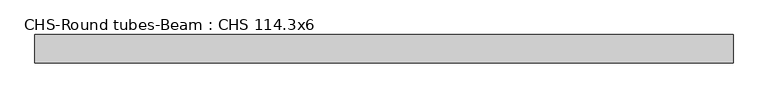
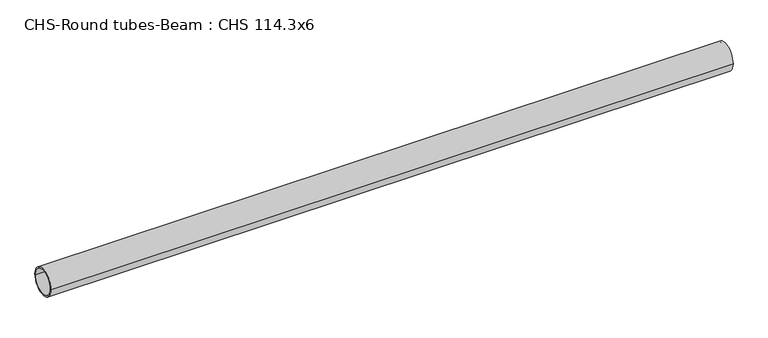
"""IFC4 building model written with IfcOpenShell, lengths in millimetres: beam geometry, CHS-Round tubes-Beam : CHS 114.3x6."""

from ifc_helpers import new_model, si_unit, point, frame, origin, origin_2d, place, context, project, spatial, circle_curve, trimmed, segment, composite_curve, outline, extrude, source, transform, mapped, element, save


def chs_round_tubes_beam_chs_114_3x6_b1bb41ad(model_context):
    return source(origin(), model_context, "Body", "SweptSolid", [
        extrude(outline(composite_curve([segment(trimmed(circle_curve(origin_2d(), 57.15), [point((57.15, 0.0))], [point((-57.15, 0.0))], False, "CARTESIAN"), True, "CONTINUOUS"), segment(trimmed(circle_curve(origin_2d(), 57.15), [point((-57.15, 0.0))], [point((57.15, 0.0))], False, "CARTESIAN"), True, "CONTINUOUS")], self_intersect=False), holes=[composite_curve([segment(trimmed(circle_curve(origin_2d(), 51.15), [point((51.15, 0.0))], [point((-51.15, 0.0))], True, "CARTESIAN"), True, "CONTINUOUS"), segment(trimmed(circle_curve(origin_2d(), 51.15), [point((-51.15, 0.0))], [point((51.15, 0.0))], True, "CARTESIAN"), True, "CONTINUOUS")], self_intersect=False)]), frame((-1418.7978941, 0.0, 0.0), z_axis=(1.0, 0.0, 0.0), x_axis=(0.0, 1.0, 0.0)), (0.0, 0.0, 1.0), 2828.1669102),
    ])


if __name__ == "__main__":
    model = new_model("IFC4")
    model_context = context("Model", 3, world=origin())
    ifc_project = project(units=[si_unit("LENGTHUNIT", "METRE", prefix="MILLI")], contexts=[model_context])
    site = spatial("IfcSite", under=ifc_project)
    building = spatial("IfcBuilding", under=site)
    placement = place(None, origin())
    chs_round_tubes_beam_chs_114_3x6_shape = chs_round_tubes_beam_chs_114_3x6_b1bb41ad(model_context)
    element("IfcBeam", 1, ObjectType="CHS-Round tubes-Beam : CHS 114.3x6", at=placement, inside=building, context=model_context, shape_type="MappedRepresentation", body=[
        mapped(chs_round_tubes_beam_chs_114_3x6_shape, transform((0.0, 0.0, 0.0), x_axis=(1.0, 0.0, 0.0), y_axis=(0.0, 1.0, 0.0), z_axis=(0.0, 0.0, 1.0))),
    ])
    save(model, "model.ifc")
